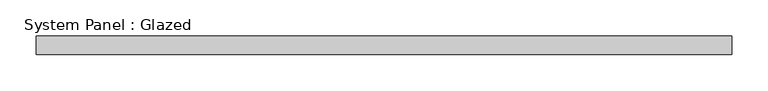
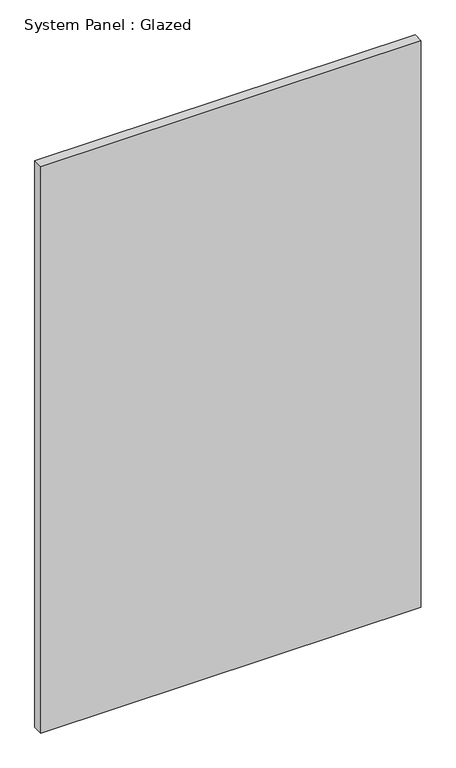
"""IFC4 building model written with IfcOpenShell, lengths in millimetres: plate geometry, System Panel : Glazed."""

from ifc_helpers import new_model, si_unit, origin, origin_with_axes, place, context, project, spatial, polyline, outline, extrude, source, transform, mapped, element, save


def system_panel_glazed_8e41447f(model_context):
    return source(origin(), model_context, "Body", "SweptSolid", [
        extrude(outline(polyline([(479.425, -12.7), (-479.425, -12.7), (-479.425, 12.7), (479.425, 12.7), (479.425, -12.7)])), origin_with_axes(), (0.0, 0.0, 1.0), 1508.125),
    ])


if __name__ == "__main__":
    model = new_model("IFC4")
    model_context = context("Model", 3, world=origin())
    ifc_project = project(units=[si_unit("LENGTHUNIT", "METRE", prefix="MILLI")], contexts=[model_context])
    site = spatial("IfcSite", under=ifc_project)
    building = spatial("IfcBuilding", under=site)
    placement = place(None, origin())
    system_panel_glazed_shape = system_panel_glazed_8e41447f(model_context)
    element("IfcPlate", 1, ObjectType="System Panel : Glazed", at=placement, inside=building, context=model_context, shape_type="MappedRepresentation", body=[
        mapped(system_panel_glazed_shape, transform((0.0, 0.0, 0.0), x_axis=(1.0, 0.0, 0.0), y_axis=(0.0, 1.0, 0.0), z_axis=(0.0, 0.0, 1.0))),
    ])
    save(model, "model.ifc")
